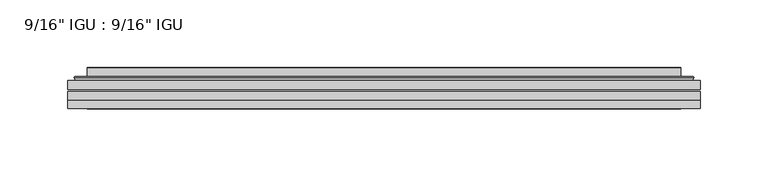
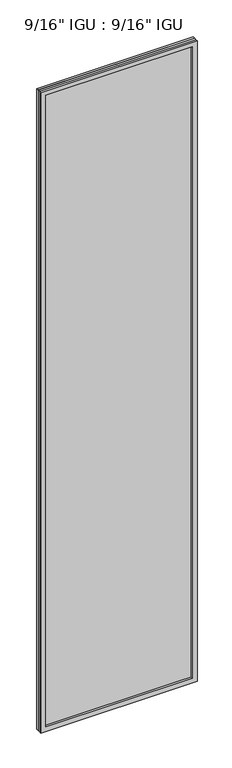
"""IFC4 building model written with IfcOpenShell, lengths in millimetres: plate geometry."""

from ifc_helpers import new_model, si_unit, frame, origin, place, context, project, spatial, polyline, ellipse_curve, outline, extrude, faceted_brep, source, transform, mapped, element, save
from ifc_brep_helpers import plane_surface, cylinder_surface, advanced_brep


def plate_0de54bbb(model_context):
    return source(origin(), model_context, "Body", "SolidModel", [
        extrude(outline(polyline([(233.376675, -54.78145), (233.376675, -61.1317818), (-233.3625, -61.1317818), (-233.3625, -54.78145), (233.376675, -54.78145)])), frame((0.0, 0.0, -14.2875), z_axis=(0.0, 0.0, 1.0), x_axis=(1.0, 0.0, 0.0)), (0.0, 0.0, 1.0), 2022.4787979),
        extrude(outline(polyline([(-233.3625, -69.05625), (-233.3625, -62.705745), (233.376675, -62.705745), (233.376675, -69.05625), (-233.3625, -69.05625)])), frame((0.0, 0.0, -14.2875), z_axis=(0.0, 0.0, 1.0), x_axis=(1.0, 0.0, 0.0)), (0.0, 0.0, 1.0), 2022.4787979),
        faceted_brep([(-233.3752, -75.40625, 2008.2002), (-233.3752, -69.05625, 2008.2002), (-233.3752, -69.05625, -14.3002), (-233.3752, -75.40625, -14.3002), (233.3752, -69.05625, -14.3002), (233.3752, -75.40625, -14.3002), (233.3752, -69.05625, 2008.2002), (233.3752, -75.40625, 2008.2002), (-218.1772559, -69.05625, 0.8977441), (218.1772559, -69.05625, 0.8977441), (218.1772559, -69.05625, 1993.0022559), (-218.1772559, -69.05625, 1993.0022559), (-219.0696902, -75.40625, 1993.8946902), (219.0696902, -75.40625, 1993.8946902), (219.0696902, -75.40625, 0.0053098), (-219.0696902, -75.40625, 0.0053098)], [[[0, 1, 2, 3]], [[3, 2, 4, 5]], [[5, 4, 6, 7]], [[1, 6, 4, 2], [8, 9, 10, 11]], [[7, 6, 1, 0]], [[3, 5, 7, 0], [12, 13, 14, 15]], [[11, 12, 15, 8]], [[8, 15, 14, 9]], [[9, 14, 13, 10]], [[10, 13, 12, 11]]]),
        advanced_brep(
        [(-226.121219, -54.78145, 2000.946219), (-228.4754244, -52.7917833, 2003.3004244), (-228.4754244, -52.7917833, -9.4004244), (-226.121219, -54.78145, -7.046219), (-217.0468939, -50.941413, 1991.8718939), (-212.1120621, -54.78145, 1986.9370621), (-212.1120621, -54.78145, 6.9629379), (-217.0468939, -50.941413, 2.0281061), (-218.0789217, -45.5441819, 1992.9039217), (-218.0789217, -45.5441819, 0.9960783), (-219.0695784, -45.1452069, 1993.8945784), (-219.0695784, -45.1452069, 0.0054216), (-219.0695784, -51.60645, 1993.8945784), (-219.0695784, -51.60645, 0.0054216), (-227.4736349, -51.60645, 2002.2986349), (-227.4736349, -51.60645, -8.3986349), (228.4754244, -52.7917833, -9.4004244), (226.121219, -54.78145, -7.046219), (212.1120621, -54.78145, 6.9629379), (217.0468939, -50.941413, 2.0281061), (218.0789217, -45.5441819, 0.9960783), (219.0695784, -45.1452069, 0.0054216), (219.0695784, -51.60645, 0.0054216), (227.4736349, -51.60645, -8.3986349), (228.4754244, -52.7917833, 2003.3004244), (226.121219, -54.78145, 2000.946219), (212.1120621, -54.78145, 1986.9370621), (217.0468939, -50.941413, 1991.8718939), (218.0789217, -45.5441819, 1992.9039217), (219.0695784, -45.1452069, 1993.8945784), (219.0695784, -51.60645, 1993.8945784), (227.4736349, -51.60645, 2002.2986349)],
        [
            (0, 1, ellipse_curve(frame((-226.121219, -52.39385, 2000.946219), z_axis=(-0.7071067811865475, 0.0, -0.7071067811865475), x_axis=(-0.7071067811865474, 0.0, 0.7071067811865476)), 3.3765763, 2.3876)),
            (1, 2),
            (2, 3, ellipse_curve(frame((-226.121219, -52.39385, -7.046219), z_axis=(-0.7071067811865475, 0.0, 0.7071067811865475), x_axis=(0.7071067811865474, 0.0, 0.7071067811865476)), 3.3765763, 2.3876)),
            (3, 0),
            (4, 5),
            (5, 6),
            (6, 7),
            (7, 4),
            (8, 4),
            (7, 9),
            (9, 8),
            (10, 8, ellipse_curve(frame((-218.7026219, -45.6634423, 1993.5276219), z_axis=(-0.7071067811865475, 0.0, -0.7071067811865475), x_axis=(-0.7071067811865474, 0.0, 0.7071067811865476)), 0.8980256, 0.635)),
            (9, 11, ellipse_curve(frame((-218.7026219, -45.6634423, 0.3723781), z_axis=(-0.7071067811865475, 0.0, 0.7071067811865475), x_axis=(0.7071067811865474, 0.0, 0.7071067811865476)), 0.8980256, 0.635)),
            (11, 10),
            (12, 10),
            (11, 13),
            (13, 12),
            (1, 14, ellipse_curve(frame((-227.4736349, -52.62245, 2002.2986349), z_axis=(-0.7071067811865475, 0.0, -0.7071067811865475), x_axis=(-0.7071067811865474, 0.0, 0.7071067811865476)), 1.436841, 1.016)),
            (14, 15),
            (15, 2, ellipse_curve(frame((-227.4736349, -52.62245, -8.3986349), z_axis=(-0.7071067811865475, 0.0, 0.7071067811865475), x_axis=(0.7071067811865474, 0.0, 0.7071067811865476)), 1.436841, 1.016)),
            (2, 16),
            (16, 17, ellipse_curve(frame((226.121219, -52.39385, -7.046219), z_axis=(-0.7071067811865475, 0.0, -0.7071067811865475), x_axis=(-0.7071067811865476, 0.0, 0.7071067811865474)), 3.3765763, 2.3876)),
            (17, 3),
            (6, 18),
            (18, 19),
            (19, 7),
            (19, 20),
            (20, 9),
            (20, 21, ellipse_curve(frame((218.7026219, -45.6634423, 0.3723781), z_axis=(-0.7071067811865475, 0.0, -0.7071067811865475), x_axis=(-0.7071067811865476, 0.0, 0.7071067811865474)), 0.8980256, 0.635)),
            (21, 11),
            (21, 22),
            (22, 13),
            (15, 23),
            (23, 16, ellipse_curve(frame((227.4736349, -52.62245, -8.3986349), z_axis=(-0.7071067811865475, 0.0, -0.7071067811865475), x_axis=(-0.7071067811865476, 0.0, 0.7071067811865474)), 1.436841, 1.016)),
            (16, 24),
            (24, 25, ellipse_curve(frame((226.121219, -52.39385, 2000.946219), z_axis=(0.7071067811865475, 0.0, -0.7071067811865475), x_axis=(-0.7071067811865474, 0.0, -0.7071067811865476)), 3.3765763, 2.3876)),
            (25, 17),
            (18, 26),
            (26, 27),
            (27, 19),
            (27, 28),
            (28, 20),
            (28, 29, ellipse_curve(frame((218.7026219, -45.6634423, 1993.5276219), z_axis=(0.7071067811865475, 0.0, -0.7071067811865475), x_axis=(-0.7071067811865474, 0.0, -0.7071067811865476)), 0.8980256, 0.635)),
            (29, 21),
            (29, 30),
            (30, 22),
            (23, 31),
            (31, 24, ellipse_curve(frame((227.4736349, -52.62245, 2002.2986349), z_axis=(0.7071067811865475, 0.0, -0.7071067811865475), x_axis=(-0.7071067811865474, 0.0, -0.7071067811865476)), 1.436841, 1.016)),
            (24, 1),
            (0, 25),
            (5, 26),
            (4, 27),
            (8, 28),
            (10, 29),
            (12, 30),
            (14, 31),
        ],
        [
            cylinder_surface(frame((-226.121219, -52.39385, 2025.65), z_axis=(0.0, 0.0, 1.0), x_axis=(-1.0, 0.0, 0.0)), 2.3876),
            plane_surface(frame((-212.1120621, -54.78145, 1986.9370621), z_axis=(0.6141233906514794, 0.7892100234124821, 0.0), x_axis=(0.0, 0.0, -1.0))),
            plane_surface(frame((-217.0468939, -50.941413, 1991.8718939), z_axis=(0.9822050625507728, 0.18781164793386085, 0.0), x_axis=(0.0, 0.0, -1.0))),
            cylinder_surface(frame((-218.7026219, -45.6634423, 2025.65), z_axis=(0.0, 0.0, 1.0), x_axis=(-1.0, 0.0, 0.0)), 0.635),
            plane_surface(frame((-219.0695784, -45.1452069, 1993.8945784), z_axis=(-1.0, 0.0, 0.0), x_axis=(0.0, 0.0, -1.0))),
            cylinder_surface(frame((-227.4736349, -52.62245, 2025.65), z_axis=(0.0, 0.0, 1.0), x_axis=(-1.0, 0.0, 0.0)), 1.016),
            cylinder_surface(frame((-250.825, -52.39385, -7.046219), z_axis=(-1.0, 0.0, 0.0), x_axis=(0.0, 0.0, -1.0)), 2.3876),
            plane_surface(frame((-212.1120621, -54.78145, 6.9629379), z_axis=(0.0, 0.7892100234124841, 0.6141233906514768), x_axis=(1.0, 0.0, 0.0))),
            plane_surface(frame((-217.0468939, -50.941413, 2.0281061), z_axis=(0.0, 0.18781164793386404, 0.9822050625507722), x_axis=(1.0, 0.0, 0.0))),
            cylinder_surface(frame((-250.825, -45.6634423, 0.3723781), z_axis=(-1.0, 0.0, 0.0), x_axis=(0.0, 0.0, -1.0)), 0.635),
            plane_surface(frame((-219.0695784, -45.1452069, 0.0054216), z_axis=(0.0, 0.0, -1.0), x_axis=(1.0, 0.0, 0.0))),
            cylinder_surface(frame((-250.825, -52.62245, -8.3986349), z_axis=(-1.0, 0.0, 0.0), x_axis=(0.0, 0.0, -1.0)), 1.016),
            cylinder_surface(frame((226.121219, -52.39385, -31.75), z_axis=(0.0, 0.0, -1.0), x_axis=(1.0, 0.0, 0.0)), 2.3876),
            plane_surface(frame((212.1120621, -54.78145, 6.9629379), z_axis=(-0.6141233906514743, 0.7892100234124861, 0.0), x_axis=(0.0, 0.0, 1.0))),
            plane_surface(frame((217.0468939, -50.941413, 2.0281061), z_axis=(-0.9822050625507717, 0.18781164793386723, 0.0), x_axis=(0.0, 0.0, 1.0))),
            cylinder_surface(frame((218.7026219, -45.6634423, -31.75), z_axis=(0.0, 0.0, -1.0), x_axis=(1.0, 0.0, 0.0)), 0.635),
            plane_surface(frame((219.0695784, -45.1452069, 0.0054216), z_axis=(1.0, 0.0, 0.0), x_axis=(0.0, 0.0, 1.0))),
            cylinder_surface(frame((227.4736349, -52.62245, -31.75), z_axis=(0.0, 0.0, -1.0), x_axis=(1.0, 0.0, 0.0)), 1.016),
            cylinder_surface(frame((250.825, -52.39385, 2000.946219), z_axis=(1.0, 0.0, 0.0), x_axis=(0.0, 0.0, 1.0)), 2.3876),
            plane_surface(frame((226.121219, -54.78145, 2000.946219), z_axis=(0.0, -1.0, 0.0), x_axis=(-1.0, 0.0, 0.0))),
            plane_surface(frame((212.1120621, -54.78145, 1986.9370621), z_axis=(0.0, 0.7892100234124841, -0.6141233906514768), x_axis=(-1.0, 0.0, 0.0))),
            plane_surface(frame((217.0468939, -50.941413, 1991.8718939), z_axis=(0.0, 0.18781164793386404, -0.9822050625507722), x_axis=(-1.0, 0.0, 0.0))),
            cylinder_surface(frame((250.825, -45.6634423, 1993.5276219), z_axis=(1.0, 0.0, 0.0), x_axis=(0.0, 0.0, 1.0)), 0.635),
            plane_surface(frame((219.0695784, -45.1452069, 1993.8945784), z_axis=(0.0, 0.0, 1.0), x_axis=(-1.0, 0.0, 0.0))),
            plane_surface(frame((219.0695784, -51.60645, 1993.8945784), z_axis=(0.0, 1.0, 0.0), x_axis=(-1.0, 0.0, 0.0))),
            cylinder_surface(frame((250.825, -52.62245, 2002.2986349), z_axis=(1.0, 0.0, 0.0), x_axis=(0.0, 0.0, 1.0)), 1.016),
        ],
        [
            (0, [[1, 2, 3, 4]]),
            (1, [[5, 6, 7, 8]]),
            (2, [[9, -8, 10, 11]]),
            (3, [[12, -11, 13, 14]]),
            (4, [[15, -14, 16, 17]]),
            (5, [[18, 19, 20, -2]]),
            (6, [[-3, 21, 22, 23]]),
            (7, [[-7, 24, 25, 26]]),
            (8, [[-10, -26, 27, 28]]),
            (9, [[-13, -28, 29, 30]]),
            (10, [[-16, -30, 31, 32]]),
            (11, [[-20, 33, 34, -21]]),
            (12, [[-22, 35, 36, 37]]),
            (13, [[-25, 38, 39, 40]]),
            (14, [[-27, -40, 41, 42]]),
            (15, [[-29, -42, 43, 44]]),
            (16, [[-31, -44, 45, 46]]),
            (17, [[-34, 47, 48, -35]]),
            (18, [[-36, 49, -1, 50]]),
            (19, [[-23, -37, -50, -4], [51, -38, -24, -6]]),
            (20, [[-39, -51, -5, 52]]),
            (21, [[-41, -52, -9, 53]]),
            (22, [[-43, -53, -12, 54]]),
            (23, [[-45, -54, -15, 55]]),
            (24, [[56, -47, -33, -19], [-32, -46, -55, -17]]),
            (25, [[-48, -56, -18, -49]]),
        ],
    ),
    ])


if __name__ == "__main__":
    model = new_model("IFC4")
    model_context = context("Model", 3, world=origin())
    ifc_project = project(units=[si_unit("LENGTHUNIT", "METRE", prefix="MILLI")], contexts=[model_context])
    site = spatial("IfcSite", under=ifc_project)
    building = spatial("IfcBuilding", under=site)
    placement = place(None, origin())
    plate_shape = plate_0de54bbb(model_context)
    element("IfcPlate", 1, ObjectType="9/16\" IGU : 9/16\" IGU", at=placement, inside=building, context=model_context, shape_type="MappedRepresentation", body=[
        mapped(plate_shape, transform((0.0, 0.0, 0.0), x_axis=(1.0, 0.0, 0.0), y_axis=(0.0, 1.0, 0.0), z_axis=(0.0, 0.0, 1.0))),
    ])
    save(model, "model.ifc")
